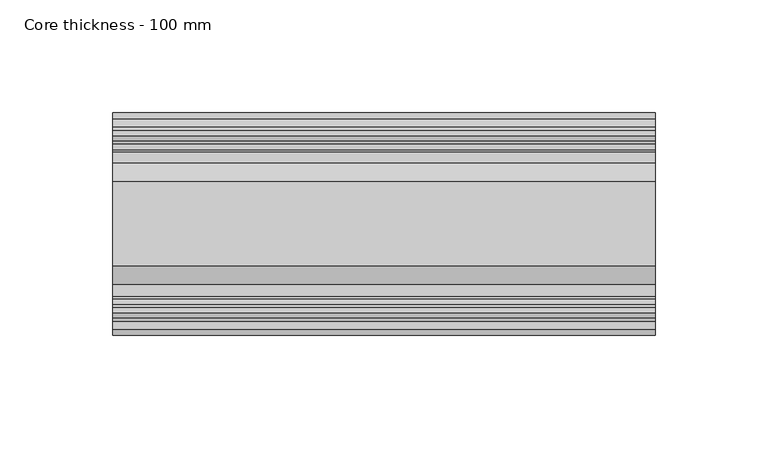
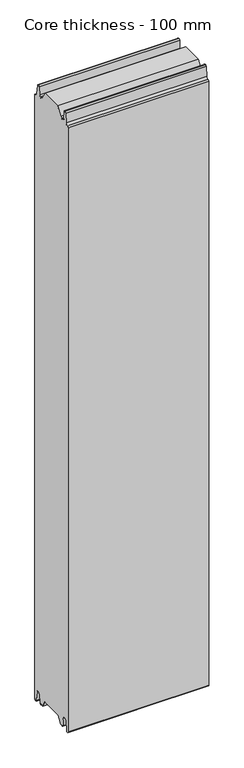
"""IFC4 building model written with IfcOpenShell, lengths in millimetres: plate geometry, Core thickness - 100 mm."""

from ifc_helpers import new_model, si_unit, frame, origin, place, context, project, spatial, polyline, circle_curve, source, transform, mapped, element, save
from ifc_brep_helpers import plane_surface, cylinder_surface, revolved_surface, advanced_brep


def core_thickness_100_mm_41436e6b(model_context):
    return source(origin(), model_context, "Body", "AdvancedBrep", [
        advanced_brep(
        [(119.9999998, -69.873448, 15.0417681), (119.9999998, -30.126552, 15.0417681), (119.9999998, -23.4086055, 3.0684055), (119.9999998, -17.4169005, 3.0684055), (119.9999998, -19.6169005, 5.265779), (119.9999998, -18.8169005, 5.265779), (119.9999998, -16.0235822, 5.1291629), (119.9999998, -14.6379549, 19.2608832), (119.9999998, -10.8223285, 22.6899182), (119.9999998, -7.0067021, 19.2608832), (119.9999998, -5.3893281, 2.7656275), (119.9999998, -0.8003051, 2.9900682), (119.9999998, -0.8, 1093.8000005), (119.9999998, -3.3660185, 1096.1942726), (119.9999998, -6.8790665, 1099.1779769), (119.9999998, -8.5415667, 1116.1334653), (119.9999998, -10.8223285, 1118.1999998), (119.9999998, -13.1030903, 1116.1334653), (119.9999998, -14.4357929, 1102.5415123), (119.9999998, -17.0233841, 1100.1952279), (119.9999998, -18.1003051, 1100.1952279), (119.9999998, -18.7003051, 1099.5952279), (119.9999998, -18.7003051, 1098.4952279), (119.9999998, -19.5003051, 1098.4952279), (119.9999998, -19.5003051, 1099.5952279), (119.9999998, -18.1003051, 1100.9952279), (119.9999998, -19.5003051, 1100.9952279), (119.9999998, -23.1062917, 1100.9952279), (119.9999998, -31.1628062, 1115.044651), (119.9999998, -68.7531937, 1115.044651), (119.9999998, -76.8937083, 1100.9952279), (119.9999998, -80.4996949, 1100.9952279), (119.9999998, -81.8996949, 1100.9952279), (119.9999998, -80.4996949, 1099.5952279), (119.9999998, -80.4996949, 1098.4952279), (119.9999998, -81.2996949, 1098.4952279), (119.9999998, -81.2996949, 1099.5952279), (119.9999998, -81.8996949, 1100.1952279), (119.9999998, -82.9766159, 1100.1952279), (119.9999998, -85.5642071, 1102.5415123), (119.9999998, -86.8969097, 1116.1334653), (119.9999998, -89.1776715, 1118.1999998), (119.9999998, -91.4584333, 1116.1334653), (119.9999998, -93.1209335, 1099.1779769), (119.9999998, -96.6330399, 1096.2078763), (119.9999998, -99.1996949, 1093.8000005), (119.9999998, -99.2, 2.9900682), (119.9999998, -94.6106719, 2.7656275), (119.9999998, -92.9932979, 19.2608832), (119.9999998, -89.1776715, 22.6899182), (119.9999998, -85.3620451, 19.2608832), (119.9999998, -83.9764178, 5.1291629), (119.9999998, -81.1830995, 5.265779), (119.9999998, -80.3830995, 5.265779), (119.9999998, -82.5830995, 3.065779), (119.9999998, -76.5913945, 3.0684055), (-119.9999998, -76.8937083, 1100.9952279), (-119.9999998, -68.7531937, 1115.044651), (-119.9999998, -31.1628062, 1115.044651), (-119.9999998, -23.1062917, 1100.9952279), (-119.9999998, -19.5003051, 1100.9952279), (-119.9999998, -18.1003051, 1100.9952279), (-119.9999998, -19.5003051, 1099.5952279), (-119.9999998, -19.5003051, 1098.4952279), (-119.9999998, -18.7003051, 1098.4952279), (-119.9999998, -18.7003051, 1099.5952279), (-119.9999998, -18.1003051, 1100.1952279), (-119.9999998, -17.0233841, 1100.1952279), (-119.9999998, -14.4357929, 1102.5415123), (-119.9999998, -13.1030903, 1116.1334653), (-119.9999998, -10.8223285, 1118.1999998), (-119.9999998, -8.5415667, 1116.1334653), (-119.9999998, -6.8790665, 1099.1779769), (-119.9999998, -3.3669601, 1096.2078763), (-119.9999998, -0.8003051, 1093.8000005), (-119.9999998, -0.8, 2.9900682), (-119.9999998, -5.3893281, 2.7656275), (-119.9999998, -7.0067021, 19.2608832), (-119.9999998, -10.8223285, 22.6899182), (-119.9999998, -14.6379549, 19.2608832), (-119.9999998, -16.0235822, 5.1291629), (-119.9999998, -18.8169005, 5.265779), (-119.9999998, -19.6169005, 5.265779), (-119.9999998, -17.4169005, 3.065779), (-119.9999998, -23.4086055, 3.0684055), (-119.9999998, -30.126552, 15.0417681), (-119.9999998, -69.873448, 15.0417681), (-119.9999998, -76.5913945, 3.0684055), (-119.9999998, -82.5830995, 3.0684055), (-119.9999998, -80.3830995, 5.265779), (-119.9999998, -81.1830995, 5.265779), (-119.9999998, -83.9764178, 5.1291629), (-119.9999998, -85.3620451, 19.2608832), (-119.9999998, -89.1776715, 22.6899182), (-119.9999998, -92.9932979, 19.2608832), (-119.9999998, -94.6106719, 2.7656275), (-119.9999998, -99.1996949, 2.9900682), (-119.9999998, -99.2, 1093.8000005), (-119.9999998, -96.6339815, 1096.1942726), (-119.9999998, -93.1209335, 1099.1779769), (-119.9999998, -91.4584333, 1116.1334653), (-119.9999998, -89.1776715, 1118.1999998), (-119.9999998, -86.8969097, 1116.1334653), (-119.9999998, -85.5642071, 1102.5415123), (-119.9999998, -82.9766159, 1100.1952279), (-119.9999998, -81.8996949, 1100.1952279), (-119.9999998, -81.2996949, 1099.5952279), (-119.9999998, -81.2996949, 1098.4952279), (-119.9999998, -80.4996949, 1098.4952279), (-119.9999998, -80.4996949, 1099.5952279), (-119.9999998, -81.8996949, 1100.9952279), (-119.9999998, -80.4996949, 1100.9952279)],
        [
            (0, 1),
            (1, 2),
            (2, 3),
            (3, 4, circle_curve(frame((119.9999998, -17.4169005, 5.265779), z_axis=(-1.0, 0.0, 0.0), x_axis=(0.0, 0.0, -1.0)), 2.2)),
            (4, 5),
            (5, 6, circle_curve(frame((119.9999998, -17.4169005, 5.265779), z_axis=(1.0, 0.0, 0.0), x_axis=(0.0, 0.0, -1.0)), 1.4)),
            (6, 7),
            (7, 8, circle_curve(frame((119.9999998, -10.8560907, 18.8900682), z_axis=(-1.0, 0.0, 0.0), x_axis=(0.0, 0.0, -1.0)), 3.8)),
            (8, 9, circle_curve(frame((119.9999998, -10.7885662, 18.8900682), z_axis=(-1.0, 0.0, 0.0), x_axis=(0.0, 0.0, -1.0)), 3.8)),
            (9, 10),
            (10, 11, circle_curve(frame((119.9999998, -3.1003051, 2.9900682), z_axis=(1.0, 0.0, 0.0), x_axis=(0.0, 0.0, -1.0)), 2.3)),
            (11, 12),
            (12, 13, circle_curve(frame((119.9999998, -3.2003051, 1093.8000005), z_axis=(1.0, 0.0, 0.0), x_axis=(0.0, 0.0, -1.0)), 2.4)),
            (13, 14, circle_curve(frame((119.9999998, -3.5948161, 1099.5000005), z_axis=(-1.0, 0.0, 0.0), x_axis=(0.0, 0.0, -1.0)), 3.3)),
            (14, 15),
            (15, 16, circle_curve(frame((119.9999998, -10.8206374, 1115.9100005), z_axis=(1.0, 0.0, 0.0), x_axis=(0.0, 0.0, -1.0)), 2.29)),
            (16, 17, circle_curve(frame((119.9999998, -10.8240195, 1115.9100005), z_axis=(1.0, 0.0, 0.0), x_axis=(0.0, 0.0, -1.0)), 2.29)),
            (17, 18),
            (18, 19, circle_curve(frame((119.9999998, -17.0233841, 1102.7952279), z_axis=(-1.0, 0.0, 0.0), x_axis=(0.0, 0.0, -1.0)), 2.6)),
            (19, 20),
            (20, 21, circle_curve(frame((119.9999998, -18.1003051, 1099.5952279), z_axis=(1.0, 0.0, 0.0), x_axis=(0.0, 0.0, -1.0)), 0.6)),
            (21, 22),
            (22, 23),
            (23, 24),
            (24, 25, circle_curve(frame((119.9999998, -18.1003051, 1099.5952279), z_axis=(-1.0, 0.0, 0.0), x_axis=(0.0, 0.0, -1.0)), 1.4)),
            (25, 26),
            (26, 27),
            (27, 28),
            (28, 29),
            (29, 30),
            (30, 31),
            (31, 32),
            (32, 33, circle_curve(frame((119.9999998, -81.8996949, 1099.5952279), z_axis=(-1.0, 0.0, 0.0), x_axis=(0.0, 0.0, -1.0)), 1.4)),
            (33, 34),
            (34, 35),
            (35, 36),
            (36, 37, circle_curve(frame((119.9999998, -81.8996949, 1099.5952279), z_axis=(1.0, 0.0, 0.0), x_axis=(0.0, 0.0, -1.0)), 0.6)),
            (37, 38),
            (38, 39, circle_curve(frame((119.9999998, -82.9766159, 1102.7952279), z_axis=(-1.0, 0.0, 0.0), x_axis=(0.0, 0.0, -1.0)), 2.6)),
            (39, 40),
            (40, 41, circle_curve(frame((119.9999998, -89.1759805, 1115.9100005), z_axis=(1.0, 0.0, 0.0), x_axis=(0.0, 0.0, -1.0)), 2.29)),
            (41, 42, circle_curve(frame((119.9999998, -89.1793626, 1115.9100005), z_axis=(1.0, 0.0, 0.0), x_axis=(0.0, 0.0, -1.0)), 2.29)),
            (42, 43),
            (43, 44, circle_curve(frame((119.9999998, -96.4051839, 1099.5000005), z_axis=(-1.0, 0.0, 0.0), x_axis=(0.0, 0.0, -1.0)), 3.3)),
            (44, 45, circle_curve(frame((119.9999998, -96.7996949, 1093.8000005), z_axis=(1.0, 0.0, 0.0), x_axis=(0.0, 0.0, -1.0)), 2.4)),
            (45, 46),
            (46, 47, circle_curve(frame((119.9999998, -96.8996949, 2.9900682), z_axis=(1.0, 0.0, 0.0), x_axis=(0.0, 0.0, -1.0)), 2.3)),
            (47, 48),
            (48, 49, circle_curve(frame((119.9999998, -89.2114338, 18.8900682), z_axis=(-1.0, 0.0, 0.0), x_axis=(0.0, 0.0, -1.0)), 3.8)),
            (49, 50, circle_curve(frame((119.9999998, -89.1439093, 18.8900682), z_axis=(-1.0, 0.0, 0.0), x_axis=(0.0, 0.0, -1.0)), 3.8)),
            (50, 51),
            (51, 52, circle_curve(frame((119.9999998, -82.5830995, 5.265779), z_axis=(1.0, 0.0, 0.0), x_axis=(0.0, 0.0, -1.0)), 1.4)),
            (52, 53),
            (53, 54, circle_curve(frame((119.9999998, -82.5830995, 5.265779), z_axis=(-1.0, 0.0, 0.0), x_axis=(0.0, 0.0, -1.0)), 2.2)),
            (54, 55),
            (55, 0),
            (56, 57),
            (57, 58),
            (58, 59),
            (59, 60),
            (60, 61),
            (61, 62, circle_curve(frame((-119.9999998, -18.1003051, 1099.5952279), z_axis=(1.0, 0.0, 0.0), x_axis=(0.0, 0.0, -1.0)), 1.4)),
            (62, 63),
            (63, 64),
            (64, 65),
            (65, 66, circle_curve(frame((-119.9999998, -18.1003051, 1099.5952279), z_axis=(-1.0, 0.0, 0.0), x_axis=(0.0, 0.0, -1.0)), 0.6)),
            (66, 67),
            (67, 68, circle_curve(frame((-119.9999998, -17.0233841, 1102.7952279), z_axis=(1.0, 0.0, 0.0), x_axis=(0.0, 0.0, -1.0)), 2.6)),
            (68, 69),
            (69, 70, circle_curve(frame((-119.9999998, -10.8240195, 1115.9100005), z_axis=(-1.0, 0.0, 0.0), x_axis=(0.0, 0.0, -1.0)), 2.29)),
            (70, 71, circle_curve(frame((-119.9999998, -10.8206374, 1115.9100005), z_axis=(-1.0, 0.0, 0.0), x_axis=(0.0, 0.0, -1.0)), 2.29)),
            (71, 72),
            (72, 73, circle_curve(frame((-119.9999998, -3.5948161, 1099.5000005), z_axis=(1.0, 0.0, 0.0), x_axis=(0.0, 0.0, -1.0)), 3.3)),
            (73, 74, circle_curve(frame((-119.9999998, -3.2003051, 1093.8000005), z_axis=(-1.0, 0.0, 0.0), x_axis=(0.0, 0.0, -1.0)), 2.4)),
            (74, 75),
            (75, 76, circle_curve(frame((-119.9999998, -3.1003051, 2.9900682), z_axis=(-1.0, 0.0, 0.0), x_axis=(0.0, 0.0, -1.0)), 2.3)),
            (76, 77),
            (77, 78, circle_curve(frame((-119.9999998, -10.7885662, 18.8900682), z_axis=(1.0, 0.0, 0.0), x_axis=(0.0, 0.0, -1.0)), 3.8)),
            (78, 79, circle_curve(frame((-119.9999998, -10.8560907, 18.8900682), z_axis=(1.0, 0.0, 0.0), x_axis=(0.0, 0.0, -1.0)), 3.8)),
            (79, 80),
            (80, 81, circle_curve(frame((-119.9999998, -17.4169005, 5.265779), z_axis=(-1.0, 0.0, 0.0), x_axis=(0.0, 0.0, -1.0)), 1.4)),
            (81, 82),
            (82, 83, circle_curve(frame((-119.9999998, -17.4169005, 5.265779), z_axis=(1.0, 0.0, 0.0), x_axis=(0.0, 0.0, -1.0)), 2.2)),
            (83, 84),
            (84, 85),
            (85, 86),
            (86, 87),
            (87, 88),
            (88, 89, circle_curve(frame((-119.9999998, -82.5830995, 5.265779), z_axis=(1.0, 0.0, 0.0), x_axis=(0.0, 0.0, -1.0)), 2.2)),
            (89, 90),
            (90, 91, circle_curve(frame((-119.9999998, -82.5830995, 5.265779), z_axis=(-1.0, 0.0, 0.0), x_axis=(0.0, 0.0, -1.0)), 1.4)),
            (91, 92),
            (92, 93, circle_curve(frame((-119.9999998, -89.1439093, 18.8900682), z_axis=(1.0, 0.0, 0.0), x_axis=(0.0, 0.0, -1.0)), 3.8)),
            (93, 94, circle_curve(frame((-119.9999998, -89.2114338, 18.8900682), z_axis=(1.0, 0.0, 0.0), x_axis=(0.0, 0.0, -1.0)), 3.8)),
            (94, 95),
            (95, 96, circle_curve(frame((-119.9999998, -96.8996949, 2.9900682), z_axis=(-1.0, 0.0, 0.0), x_axis=(0.0, 0.0, -1.0)), 2.3)),
            (96, 97),
            (97, 98, circle_curve(frame((-119.9999998, -96.7996949, 1093.8000005), z_axis=(-1.0, 0.0, 0.0), x_axis=(0.0, 0.0, -1.0)), 2.4)),
            (98, 99, circle_curve(frame((-119.9999998, -96.4051839, 1099.5000005), z_axis=(1.0, 0.0, 0.0), x_axis=(0.0, 0.0, -1.0)), 3.3)),
            (99, 100),
            (100, 101, circle_curve(frame((-119.9999998, -89.1793626, 1115.9100005), z_axis=(-1.0, 0.0, 0.0), x_axis=(0.0, 0.0, -1.0)), 2.29)),
            (101, 102, circle_curve(frame((-119.9999998, -89.1759805, 1115.9100005), z_axis=(-1.0, 0.0, 0.0), x_axis=(0.0, 0.0, -1.0)), 2.29)),
            (102, 103),
            (103, 104, circle_curve(frame((-119.9999998, -82.9766159, 1102.7952279), z_axis=(1.0, 0.0, 0.0), x_axis=(0.0, 0.0, -1.0)), 2.6)),
            (104, 105),
            (105, 106, circle_curve(frame((-119.9999998, -81.8996949, 1099.5952279), z_axis=(-1.0, 0.0, 0.0), x_axis=(0.0, 0.0, -1.0)), 0.6)),
            (106, 107),
            (107, 108),
            (108, 109),
            (109, 110, circle_curve(frame((-119.9999998, -81.8996949, 1099.5952279), z_axis=(1.0, 0.0, 0.0), x_axis=(0.0, 0.0, -1.0)), 1.4)),
            (110, 111),
            (111, 56),
            (74, 12),
            (11, 75),
            (73, 13),
            (72, 14),
            (71, 15),
            (70, 16),
            (69, 17),
            (68, 18),
            (67, 19),
            (66, 20),
            (65, 21),
            (64, 22),
            (63, 23),
            (62, 24),
            (61, 25),
            (30, 56),
            (110, 32),
            (29, 57),
            (28, 58),
            (27, 59),
            (1, 85),
            (84, 2),
            (0, 86),
            (55, 87),
            (83, 3),
            (54, 88),
            (82, 4),
            (81, 5),
            (80, 6),
            (79, 7),
            (78, 8),
            (77, 9),
            (76, 10),
            (109, 33),
            (108, 34),
            (107, 35),
            (106, 36),
            (105, 37),
            (104, 38),
            (103, 39),
            (102, 40),
            (101, 41),
            (100, 42),
            (99, 43),
            (98, 44),
            (97, 45),
            (96, 46),
            (95, 47),
            (94, 48),
            (93, 49),
            (92, 50),
            (91, 51),
            (90, 52),
            (89, 53),
        ],
        [
            plane_surface(frame((119.9999998, 0.0, 0.0), z_axis=(1.0, 0.0, 0.0), x_axis=(0.0, -1.0, 0.0))),
            plane_surface(frame((-119.9999998, 0.0, 0.0), z_axis=(-1.0, 0.0, 0.0), x_axis=(0.0, -1.0, 0.0))),
            plane_surface(frame((249.9999998, -0.8, 1093.8000005), z_axis=(0.0, 1.0, 0.0), x_axis=(-1.0, 0.0, 0.0))),
            cylinder_surface(frame((249.9999998, -3.2003051, 1093.8000005), z_axis=(-1.0, 0.0, 0.0), x_axis=(0.0, 0.0, -1.0)), 2.4),
            revolved_surface(polyline([(119.99999980000001, -3.5948161, 1096.2000005), (-119.99999980000001, -3.5948161, 1096.2000005)]), (249.9999998, -3.5948161, 1099.5000005), (1.0, 0.0, 0.0)),
            plane_surface(frame((249.9999998, -8.5415667, 1116.1334653), z_axis=(0.0, 0.9952273999818317, 0.09758289975914436), x_axis=(-1.0, 0.0, 0.0))),
            cylinder_surface(frame((249.9999998, -10.8206374, 1115.9100005), z_axis=(-1.0, 0.0, 0.0), x_axis=(0.0, 0.0, -1.0)), 2.29),
            cylinder_surface(frame((249.9999998, -10.8240195, 1115.9100005), z_axis=(-1.0, 0.0, 0.0), x_axis=(0.0, 0.0, -1.0)), 2.29),
            plane_surface(frame((249.9999998, -14.4357929, 1102.5415123), z_axis=(0.0, -0.9952273999818314, 0.09758289975914705), x_axis=(-1.0, 0.0, 0.0))),
            revolved_surface(polyline([(119.99999980000001, -17.0233841, 1100.1952279000002), (-119.99999980000001, -17.0233841, 1100.1952279000002)]), (249.9999998, -17.0233841, 1102.7952279), (1.0, 0.0, 0.0)),
            plane_surface(frame((249.9999998, -18.1003051, 1100.1952279), z_axis=(0.0, 0.0, 1.0), x_axis=(-1.0, 0.0, 0.0))),
            cylinder_surface(frame((249.9999998, -18.1003051, 1099.5952279), z_axis=(-1.0, 0.0, 0.0), x_axis=(0.0, 0.0, -1.0)), 0.6),
            plane_surface(frame((249.9999998, -18.7003051, 1098.4952279), z_axis=(0.0, -1.0, 0.0), x_axis=(-1.0, 0.0, 0.0))),
            plane_surface(frame((249.9999998, -19.5003051, 1098.4952279), z_axis=(0.0, 0.0, 1.0), x_axis=(-1.0, 0.0, 0.0))),
            plane_surface(frame((249.9999998, -19.5003051, 1099.5952279), z_axis=(0.0, 1.0, 0.0), x_axis=(-1.0, 0.0, 0.0))),
            revolved_surface(polyline([(119.99999980000001, -18.1003051, 1098.1952279), (-119.99999980000001, -18.1003051, 1098.1952279)]), (249.9999998, -18.1003051, 1099.5952279), (1.0, 0.0, 0.0)),
            plane_surface(frame((119.9999998, -76.8937083, 1100.9952279), z_axis=(0.0, 0.0, 1.0), x_axis=(-1.0, 0.0, 0.0))),
            plane_surface(frame((119.9999998, -68.7531937, 1115.044651), z_axis=(0.0, -0.8652489672717159, 0.5013424225369615), x_axis=(-1.0, 0.0, 0.0))),
            plane_surface(frame((119.9999998, -31.1628062, 1115.044651), z_axis=(0.0, 0.0, 1.0), x_axis=(-1.0, 0.0, 0.0))),
            plane_surface(frame((119.9999998, -23.1062917, 1100.9952279), z_axis=(0.0, 0.8674901459133322, 0.4974543664933155), x_axis=(-1.0, 0.0, 0.0))),
            plane_surface(frame((119.9999998, -17.0229218, 1100.9952279), z_axis=(0.0, 0.0, 1.0), x_axis=(-1.0, 0.0, 0.0))),
            plane_surface(frame((119.9999998, -30.126552, 15.0417681), z_axis=(0.0, -0.8721062992196836, -0.4893164649399687), x_axis=(-1.0, 0.0, 0.0))),
            plane_surface(frame((119.9999998, -69.873448, 15.0417681), z_axis=(0.0, 0.0, -1.0), x_axis=(-1.0, 0.0, 0.0))),
            plane_surface(frame((119.9999998, -76.8190247, 2.6627014), z_axis=(0.0, 0.8721062992196862, -0.4893164649399642), x_axis=(-1.0, 0.0, 0.0))),
            plane_surface(frame((-119.9999998, -82.5830995, 3.0684055), z_axis=(0.0, 0.0, -1.0), x_axis=(1.0, 0.0, 0.0))),
            revolved_surface(polyline([(119.99999980000001, -17.4169005, 3.065779), (-119.99999980000001, -17.4169005, 3.065779)]), (249.9999998, -17.4169005, 5.265779), (1.0, 0.0, 0.0)),
            plane_surface(frame((249.9999998, -18.8169005, 5.265779), z_axis=(0.0, 0.0, -1.0), x_axis=(-1.0, 0.0, 0.0))),
            cylinder_surface(frame((249.9999998, -17.4169005, 5.265779), z_axis=(-1.0, 0.0, 0.0), x_axis=(0.0, 0.0, -1.0)), 1.4),
            plane_surface(frame((249.9999998, -14.6379549, 19.2608832), z_axis=(0.0, 0.9952273999818297, -0.09758289975916531), x_axis=(-1.0, 0.0, 0.0))),
            revolved_surface(polyline([(119.99999980000001, -10.8560907, 15.090068200000001), (-119.99999980000001, -10.8560907, 15.090068200000001)]), (249.9999998, -10.8560907, 18.8900682), (1.0, 0.0, 0.0)),
            revolved_surface(polyline([(119.99999980000001, -10.7885662, 15.090068200000001), (-119.99999980000001, -10.7885662, 15.090068200000001)]), (249.9999998, -10.7885662, 18.8900682), (1.0, 0.0, 0.0)),
            plane_surface(frame((249.9999998, -5.3893281, 2.7656275), z_axis=(0.0, -0.9952273999818314, -0.09758289975914787), x_axis=(-1.0, 0.0, 0.0))),
            cylinder_surface(frame((249.9999998, -3.1003051, 2.9900682), z_axis=(-1.0, 0.0, 0.0), x_axis=(0.0, 0.0, -1.0)), 2.3),
            revolved_surface(polyline([(119.99999980000001, -81.8996949, 1098.1952279), (-119.99999980000001, -81.8996949, 1098.1952279)]), (249.9999998, -81.8996949, 1099.5952279), (1.0, 0.0, 0.0)),
            plane_surface(frame((249.9999998, -80.4996949, 1098.4952279), z_axis=(0.0, -1.0, 0.0), x_axis=(-1.0, 0.0, 0.0))),
            plane_surface(frame((249.9999998, -81.2996949, 1098.4952279), z_axis=(0.0, 0.0, 1.0), x_axis=(-1.0, 0.0, 0.0))),
            plane_surface(frame((249.9999998, -81.2996949, 1099.5952279), z_axis=(0.0, 1.0, 0.0), x_axis=(-1.0, 0.0, 0.0))),
            cylinder_surface(frame((249.9999998, -81.8996949, 1099.5952279), z_axis=(-1.0, 0.0, 0.0), x_axis=(0.0, 0.0, -1.0)), 0.6),
            plane_surface(frame((249.9999998, -82.9766159, 1100.1952279), z_axis=(0.0, 0.0, 1.0), x_axis=(-1.0, 0.0, 0.0))),
            revolved_surface(polyline([(119.99999980000001, -82.9766159, 1100.1952279000002), (-119.99999980000001, -82.9766159, 1100.1952279000002)]), (249.9999998, -82.9766159, 1102.7952279), (1.0, 0.0, 0.0)),
            plane_surface(frame((249.9999998, -86.8969097, 1116.1334653), z_axis=(0.0, 0.9952273999818314, 0.09758289975914705), x_axis=(-1.0, 0.0, 0.0))),
            cylinder_surface(frame((249.9999998, -89.1759805, 1115.9100005), z_axis=(-1.0, 0.0, 0.0), x_axis=(0.0, 0.0, -1.0)), 2.29),
            cylinder_surface(frame((249.9999998, -89.1793626, 1115.9100005), z_axis=(-1.0, 0.0, 0.0), x_axis=(0.0, 0.0, -1.0)), 2.29),
            plane_surface(frame((249.9999998, -93.1209335, 1099.1779769), z_axis=(0.0, -0.9952273999818317, 0.09758289975914436), x_axis=(-1.0, 0.0, 0.0))),
            revolved_surface(polyline([(119.99999980000001, -96.4051839, 1096.2000005), (-119.99999980000001, -96.4051839, 1096.2000005)]), (249.9999998, -96.4051839, 1099.5000005), (1.0, 0.0, 0.0)),
            cylinder_surface(frame((249.9999998, -96.7996949, 1093.8000005), z_axis=(-1.0, 0.0, 0.0), x_axis=(0.0, 0.0, -1.0)), 2.4),
            plane_surface(frame((249.9999998, -99.2, 2.9900682), z_axis=(0.0, -1.0, 0.0), x_axis=(-1.0, 0.0, 0.0))),
            cylinder_surface(frame((249.9999998, -96.8996949, 2.9900682), z_axis=(-1.0, 0.0, 0.0), x_axis=(0.0, 0.0, -1.0)), 2.3),
            plane_surface(frame((249.9999998, -92.9932979, 19.2608832), z_axis=(0.0, 0.9952273999818314, -0.09758289975914787), x_axis=(-1.0, 0.0, 0.0))),
            revolved_surface(polyline([(119.99999980000001, -89.2114338, 15.090068200000001), (-119.99999980000001, -89.2114338, 15.090068200000001)]), (249.9999998, -89.2114338, 18.8900682), (1.0, 0.0, 0.0)),
            revolved_surface(polyline([(119.99999980000001, -89.1439093, 15.090068200000001), (-119.99999980000001, -89.1439093, 15.090068200000001)]), (249.9999998, -89.1439093, 18.8900682), (1.0, 0.0, 0.0)),
            plane_surface(frame((249.9999998, -83.9764178, 5.1291629), z_axis=(0.0, -0.9952273999818297, -0.09758289975916531), x_axis=(-1.0, 0.0, 0.0))),
            cylinder_surface(frame((249.9999998, -82.5830995, 5.265779), z_axis=(-1.0, 0.0, 0.0), x_axis=(0.0, 0.0, -1.0)), 1.4),
            plane_surface(frame((249.9999998, -80.3830995, 5.265779), z_axis=(0.0, 0.0, -1.0), x_axis=(-1.0, 0.0, 0.0))),
            revolved_surface(polyline([(119.99999980000001, -82.5830995, 3.065779), (-119.99999980000001, -82.5830995, 3.065779)]), (249.9999998, -82.5830995, 5.265779), (1.0, 0.0, 0.0)),
        ],
        [
            (0, [[1, 2, 3, 4, 5, 6, 7, 8, 9, 10, 11, 12, 13, 14, 15, 16, 17, 18, 19, 20, 21, 22, 23, 24, 25, 26, 27, 28, 29, 30, 31, 32, 33, 34, 35, 36, 37, 38, 39, 40, 41, 42, 43, 44, 45, 46, 47, 48, 49, 50, 51, 52, 53, 54, 55, 56]]),
            (1, [[57, 58, 59, 60, 61, 62, 63, 64, 65, 66, 67, 68, 69, 70, 71, 72, 73, 74, 75, 76, 77, 78, 79, 80, 81, 82, 83, 84, 85, 86, 87, 88, 89, 90, 91, 92, 93, 94, 95, 96, 97, 98, 99, 100, 101, 102, 103, 104, 105, 106, 107, 108, 109, 110, 111, 112]]),
            (2, [[113, -12, 114, -75]]),
            (3, [[-113, -74, 115, -13]]),
            (4, [[-115, -73, 116, -14]]),
            (5, [[-116, -72, 117, -15]]),
            (6, [[-117, -71, 118, -16]]),
            (7, [[-118, -70, 119, -17]]),
            (8, [[-119, -69, 120, -18]]),
            (9, [[-120, -68, 121, -19]]),
            (10, [[-121, -67, 122, -20]]),
            (11, [[-122, -66, 123, -21]]),
            (12, [[-123, -65, 124, -22]]),
            (13, [[-124, -64, 125, -23]]),
            (14, [[-125, -63, 126, -24]]),
            (15, [[-126, -62, 127, -25]]),
            (16, [[128, -112, -111, 129, -32, -31]]),
            (17, [[-30, 130, -57, -128]]),
            (18, [[-29, 131, -58, -130]]),
            (19, [[-28, 132, -59, -131]]),
            (20, [[-132, -27, -26, -127, -61, -60]]),
            (21, [[133, -85, 134, -2]]),
            (22, [[-1, 135, -86, -133]]),
            (23, [[-135, -56, 136, -87]]),
            (24, [[-3, -134, -84, 137]]),
            (24, [[-55, 138, -88, -136]]),
            (25, [[139, -4, -137, -83]]),
            (26, [[-139, -82, 140, -5]]),
            (27, [[-140, -81, 141, -6]]),
            (28, [[-141, -80, 142, -7]]),
            (29, [[-142, -79, 143, -8]]),
            (30, [[-143, -78, 144, -9]]),
            (31, [[-144, -77, 145, -10]]),
            (32, [[-145, -76, -114, -11]]),
            (33, [[146, -33, -129, -110]]),
            (34, [[-146, -109, 147, -34]]),
            (35, [[-147, -108, 148, -35]]),
            (36, [[-148, -107, 149, -36]]),
            (37, [[-149, -106, 150, -37]]),
            (38, [[-150, -105, 151, -38]]),
            (39, [[-151, -104, 152, -39]]),
            (40, [[-152, -103, 153, -40]]),
            (41, [[-153, -102, 154, -41]]),
            (42, [[-154, -101, 155, -42]]),
            (43, [[-155, -100, 156, -43]]),
            (44, [[-156, -99, 157, -44]]),
            (45, [[-157, -98, 158, -45]]),
            (46, [[-158, -97, 159, -46]]),
            (47, [[-159, -96, 160, -47]]),
            (48, [[-160, -95, 161, -48]]),
            (49, [[-161, -94, 162, -49]]),
            (50, [[-162, -93, 163, -50]]),
            (51, [[-163, -92, 164, -51]]),
            (52, [[-164, -91, 165, -52]]),
            (53, [[-165, -90, 166, -53]]),
            (54, [[-166, -89, -138, -54]]),
        ],
    ),
    ])


if __name__ == "__main__":
    model = new_model("IFC4")
    model_context = context("Model", 3, world=origin())
    ifc_project = project(units=[si_unit("LENGTHUNIT", "METRE", prefix="MILLI")], contexts=[model_context])
    site = spatial("IfcSite", under=ifc_project)
    building = spatial("IfcBuilding", under=site)
    placement = place(None, origin())
    core_thickness_100_mm_shape = core_thickness_100_mm_41436e6b(model_context)
    element("IfcPlate", 1, ObjectType="Core thickness - 100 mm", at=placement, inside=building, context=model_context, shape_type="MappedRepresentation", body=[
        mapped(core_thickness_100_mm_shape, transform((0.0, 0.0, 0.0), x_axis=(1.0, 0.0, 0.0), y_axis=(0.0, 1.0, 0.0), z_axis=(0.0, 0.0, 1.0))),
    ])
    save(model, "model.ifc")
